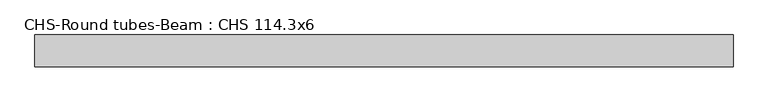
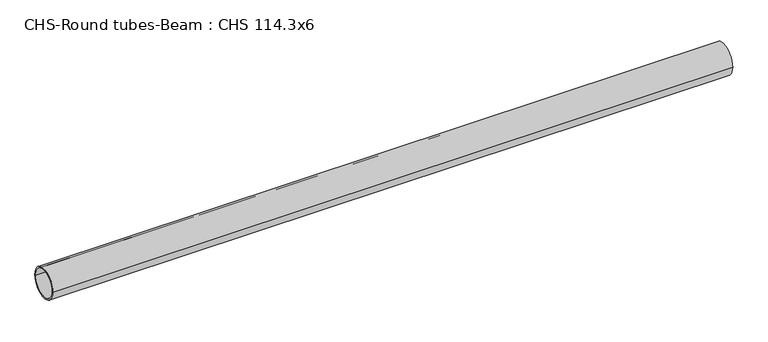
"""IFC4 building model written with IfcOpenShell, lengths in millimetres: beam geometry, CHS-Round tubes-Beam : CHS 114.3x6."""

from ifc_helpers import new_model, si_unit, point, frame, origin, origin_2d, place, context, project, spatial, circle_curve, trimmed, segment, composite_curve, outline, extrude, source, transform, mapped, element, save


def chs_round_tubes_beam_chs_114_3x6_fd27efd4(model_context):
    return source(origin(), model_context, "Body", "SweptSolid", [
        extrude(outline(composite_curve([segment(trimmed(circle_curve(origin_2d(), 57.15), [point((57.15, 0.0))], [point((-57.15, 0.0))], False, "CARTESIAN"), True, "CONTINUOUS"), segment(trimmed(circle_curve(origin_2d(), 57.15), [point((-57.15, 0.0))], [point((57.15, 0.0))], False, "CARTESIAN"), True, "CONTINUOUS")], self_intersect=False), holes=[composite_curve([segment(trimmed(circle_curve(origin_2d(), 51.15), [point((51.15, 0.0))], [point((-51.15, 0.0))], True, "CARTESIAN"), True, "CONTINUOUS"), segment(trimmed(circle_curve(origin_2d(), 51.15), [point((-51.15, 0.0))], [point((51.15, 0.0))], True, "CARTESIAN"), True, "CONTINUOUS")], self_intersect=False)]), frame((-1222.0081222, 0.0, 0.0), z_axis=(1.0, 0.0, 0.0), x_axis=(0.0, 1.0, 0.0)), (0.0, 0.0, 1.0), 2514.5649283),
    ])


if __name__ == "__main__":
    model = new_model("IFC4")
    model_context = context("Model", 3, world=origin())
    ifc_project = project(units=[si_unit("LENGTHUNIT", "METRE", prefix="MILLI")], contexts=[model_context])
    site = spatial("IfcSite", under=ifc_project)
    building = spatial("IfcBuilding", under=site)
    placement = place(None, origin())
    chs_round_tubes_beam_chs_114_3x6_shape = chs_round_tubes_beam_chs_114_3x6_fd27efd4(model_context)
    element("IfcBeam", 1, ObjectType="CHS-Round tubes-Beam : CHS 114.3x6", at=placement, inside=building, context=model_context, shape_type="MappedRepresentation", body=[
        mapped(chs_round_tubes_beam_chs_114_3x6_shape, transform((0.0, 0.0, 0.0), x_axis=(1.0, 0.0, 0.0), y_axis=(0.0, 1.0, 0.0), z_axis=(0.0, 0.0, 1.0))),
    ])
    save(model, "model.ifc")
